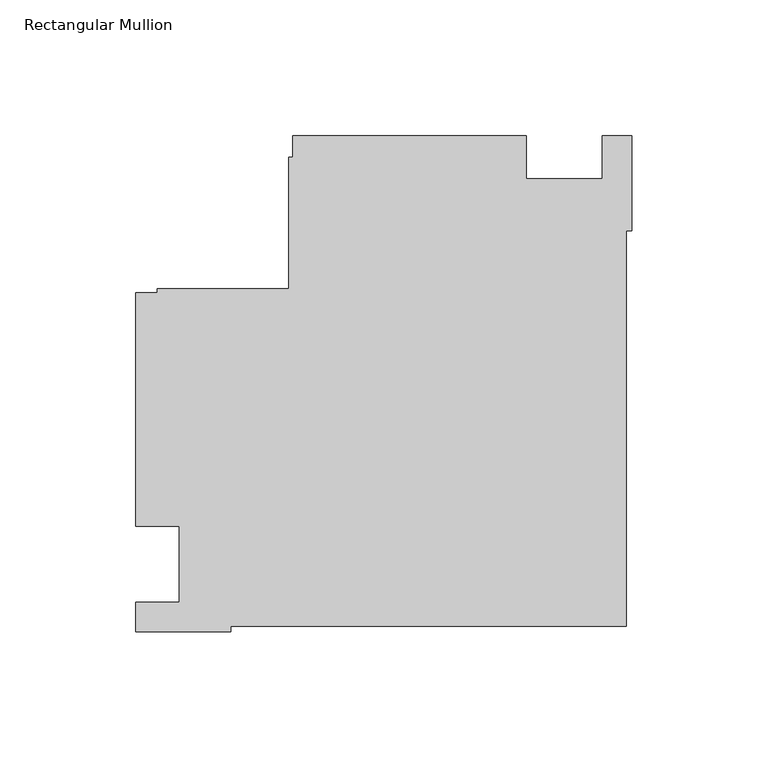
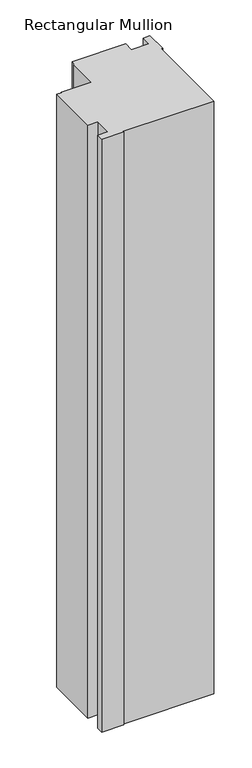
"""IFC4 building model written with IfcOpenShell, lengths in millimetres: member geometry, Rectangular Mullion."""

from ifc_helpers import new_model, si_unit, frame, origin, place, context, project, spatial, polyline, outline, extrude, source, transform, mapped, element, save


def rectangular_mullion_5ca1e85f(model_context):
    return source(origin(), model_context, "Body", "SweptSolid", [
        extrude(outline(polyline([(-182.9999976, 14.0008907), (-182.9999976, 100.0010025), (-175.0, 100.0010025), (-175.0, 101.6000025), (-126.6, 101.6000025), (-126.6, 150.0000025), (-125.0, 150.0000025), (-125.0, 158.0000001), (-38.9998882, 158.0000001), (-38.9998882, 142.0010001), (-10.9999975, 142.0010001), (-10.9999975, 158.0000001), (0.0, 158.0000001), (0.0, 122.9999738), (-2.0852141, 122.9999738), (-2.0852141, -22.9137834), (-147.9999713, -22.9137834), (-147.9999713, -24.9989975), (-183.0085199, -24.9989975), (-183.0085199, -14.0027335), (-166.9999976, -14.0027335), (-166.9999976, 14.0008907), (-182.9999976, 14.0008907)])), frame((0.0, 0.0, -1006.6595328), z_axis=(0.0, 0.0, 1.0), x_axis=(1.0, 0.0, 0.0)), (0.0, 0.0, 1.0), 1006.6595328),
    ])


if __name__ == "__main__":
    model = new_model("IFC4")
    model_context = context("Model", 3, world=origin())
    ifc_project = project(units=[si_unit("LENGTHUNIT", "METRE", prefix="MILLI")], contexts=[model_context])
    site = spatial("IfcSite", under=ifc_project)
    building = spatial("IfcBuilding", under=site)
    placement = place(None, origin())
    rectangular_mullion_shape = rectangular_mullion_5ca1e85f(model_context)
    element("IfcMember", 1, ObjectType="Rectangular Mullion", at=placement, inside=building, context=model_context, shape_type="MappedRepresentation", body=[
        mapped(rectangular_mullion_shape, transform((0.0, 0.0, 0.0), x_axis=(1.0, 0.0, 0.0), y_axis=(0.0, 1.0, 0.0), z_axis=(0.0, 0.0, 1.0))),
    ])
    save(model, "model.ifc")
